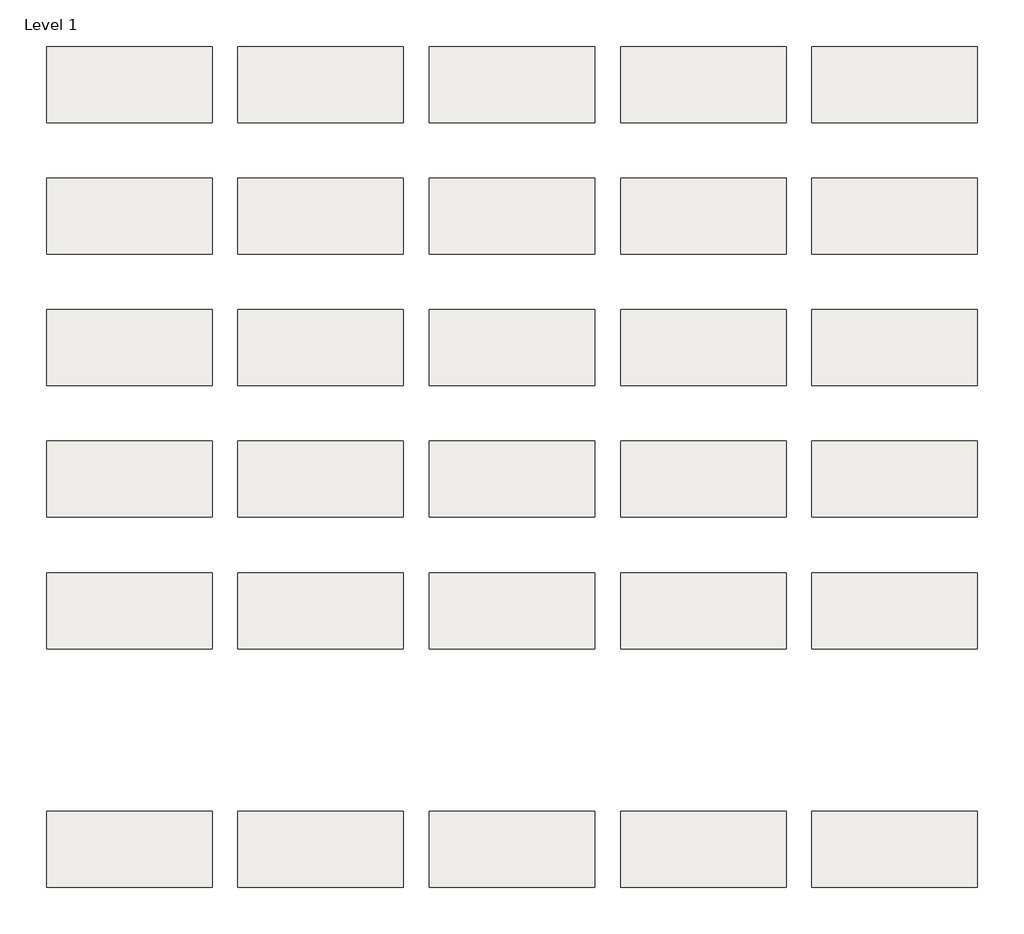
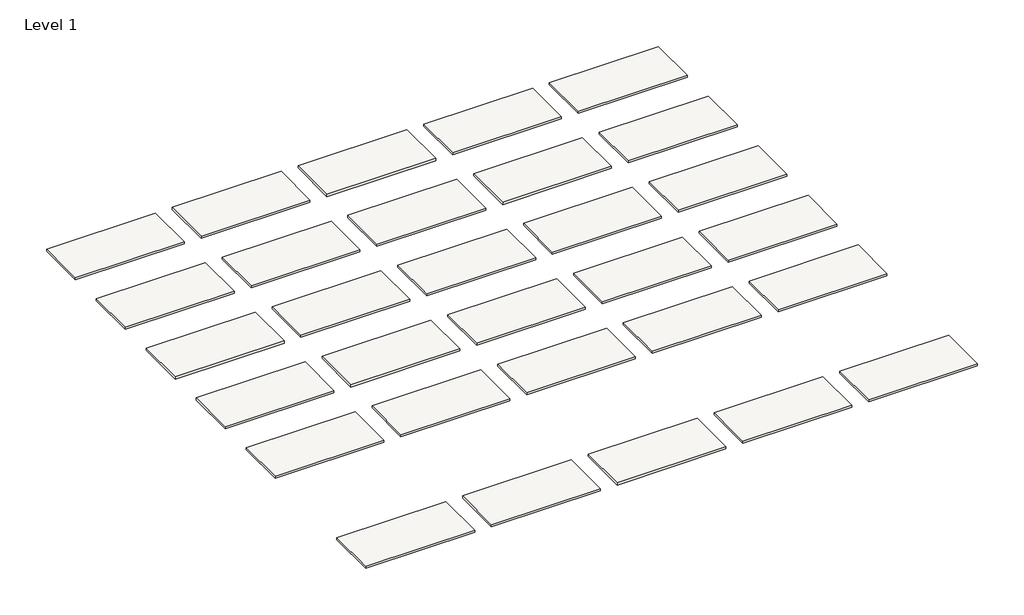
# One storey: 30 roofs.
"""IFC4 building model written with IfcOpenShell, lengths in millimetres."""

from ifc_helpers import new_model, si_unit, origin, origin_with_axes, place, context, project, spatial, polyline, outline, extrude, element, save

model = new_model("IFC4")

# Units and contexts
model_context = context("Model", 3, world=origin())
ifc_project = project(units=[si_unit("LENGTHUNIT", "METRE", prefix="MILLI")], contexts=[model_context])

# Site, building, storey
site = spatial("IfcSite", under=ifc_project)
building = spatial("IfcBuilding", under=site)
storey = spatial("IfcBuildingStorey", under=building, Name="Level 1", Elevation=0.0)

# Roofs
placement = place(None, origin())
element("IfcRoof", 1, at=placement, inside=storey, context=model_context, shape_type="SweptSolid", body=[
    extrude(outline(polyline([(-9725.8471173, -1370.5264682), (-6627.0471173, -1370.5264682), (-6627.0471173, -2792.9264682), (-9725.8471173, -2792.9264682), (-9725.8471173, -1370.5264682)])), origin_with_axes(), (0.0, 0.0, 1.0), 61.9125),
])
element("IfcRoof", 2, at=placement, inside=storey, context=model_context, shape_type="SweptSolid", body=[
    extrude(outline(polyline([(-6144.4471173, -1370.5264682), (-3045.6471173, -1370.5264682), (-3045.6471173, -2792.9264682), (-6144.4471173, -2792.9264682), (-6144.4471173, -1370.5264682)])), origin_with_axes(), (0.0, 0.0, 1.0), 61.9125),
])
element("IfcRoof", 3, at=placement, inside=storey, context=model_context, shape_type="SweptSolid", body=[
    extrude(outline(polyline([(-2563.0471173, -1370.5264682), (535.7528827, -1370.5264682), (535.7528827, -2792.9264682), (-2563.0471173, -2792.9264682), (-2563.0471173, -1370.5264682)])), origin_with_axes(), (0.0, 0.0, 1.0), 61.9125),
])
element("IfcRoof", 4, at=placement, inside=storey, context=model_context, shape_type="SweptSolid", body=[
    extrude(outline(polyline([(1018.3528827, -1370.5264682), (4117.1528827, -1370.5264682), (4117.1528827, -2792.9264682), (1018.3528827, -2792.9264682), (1018.3528827, -1370.5264682)])), origin_with_axes(), (0.0, 0.0, 1.0), 61.9125),
])
element("IfcRoof", 5, at=placement, inside=storey, context=model_context, shape_type="SweptSolid", body=[
    extrude(outline(polyline([(4599.7528827, -1370.5264682), (7698.5528827, -1370.5264682), (7698.5528827, -2792.9264682), (4599.7528827, -2792.9264682), (4599.7528827, -1370.5264682)])), origin_with_axes(), (0.0, 0.0, 1.0), 61.9125),
])
element("IfcRoof", 6, at=placement, inside=storey, context=model_context, shape_type="SweptSolid", body=[
    extrude(outline(polyline([(-9725.8471173, 1093.2735318), (-6627.0471173, 1093.2735318), (-6627.0471173, -329.1264682), (-9725.8471173, -329.1264682), (-9725.8471173, 1093.2735318)])), origin_with_axes(), (0.0, 0.0, 1.0), 61.9125),
])
element("IfcRoof", 7, at=placement, inside=storey, context=model_context, shape_type="SweptSolid", body=[
    extrude(outline(polyline([(-6144.4471173, 1093.2735318), (-3045.6471173, 1093.2735318), (-3045.6471173, -329.1264682), (-6144.4471173, -329.1264682), (-6144.4471173, 1093.2735318)])), origin_with_axes(), (0.0, 0.0, 1.0), 61.9125),
])
element("IfcRoof", 8, at=placement, inside=storey, context=model_context, shape_type="SweptSolid", body=[
    extrude(outline(polyline([(-2563.0471173, 1093.2735318), (535.7528827, 1093.2735318), (535.7528827, -329.1264682), (-2563.0471173, -329.1264682), (-2563.0471173, 1093.2735318)])), origin_with_axes(), (0.0, 0.0, 1.0), 61.9125),
])
element("IfcRoof", 9, at=placement, inside=storey, context=model_context, shape_type="SweptSolid", body=[
    extrude(outline(polyline([(1018.3528827, 1093.2735318), (4117.1528827, 1093.2735318), (4117.1528827, -329.1264682), (1018.3528827, -329.1264682), (1018.3528827, 1093.2735318)])), origin_with_axes(), (0.0, 0.0, 1.0), 61.9125),
])
element("IfcRoof", 10, at=placement, inside=storey, context=model_context, shape_type="SweptSolid", body=[
    extrude(outline(polyline([(4599.7528827, 1093.2735318), (7698.5528827, 1093.2735318), (7698.5528827, -329.1264682), (4599.7528827, -329.1264682), (4599.7528827, 1093.2735318)])), origin_with_axes(), (0.0, 0.0, 1.0), 61.9125),
])
element("IfcRoof", 11, at=placement, inside=storey, context=model_context, shape_type="SweptSolid", body=[
    extrude(outline(polyline([(-9725.8471173, 3557.0735318), (-6627.0471173, 3557.0735318), (-6627.0471173, 2134.6735318), (-9725.8471173, 2134.6735318), (-9725.8471173, 3557.0735318)])), origin_with_axes(), (0.0, 0.0, 1.0), 61.9125),
])
element("IfcRoof", 12, at=placement, inside=storey, context=model_context, shape_type="SweptSolid", body=[
    extrude(outline(polyline([(-6144.4471173, 3557.0735318), (-3045.6471173, 3557.0735318), (-3045.6471173, 2134.6735318), (-6144.4471173, 2134.6735318), (-6144.4471173, 3557.0735318)])), origin_with_axes(), (0.0, 0.0, 1.0), 61.9125),
])
element("IfcRoof", 13, at=placement, inside=storey, context=model_context, shape_type="SweptSolid", body=[
    extrude(outline(polyline([(-2563.0471173, 3557.0735318), (535.7528827, 3557.0735318), (535.7528827, 2134.6735318), (-2563.0471173, 2134.6735318), (-2563.0471173, 3557.0735318)])), origin_with_axes(), (0.0, 0.0, 1.0), 61.9125),
])
element("IfcRoof", 14, at=placement, inside=storey, context=model_context, shape_type="SweptSolid", body=[
    extrude(outline(polyline([(1018.3528827, 3557.0735318), (4117.1528827, 3557.0735318), (4117.1528827, 2134.6735318), (1018.3528827, 2134.6735318), (1018.3528827, 3557.0735318)])), origin_with_axes(), (0.0, 0.0, 1.0), 61.9125),
])
element("IfcRoof", 15, at=placement, inside=storey, context=model_context, shape_type="SweptSolid", body=[
    extrude(outline(polyline([(4599.7528827, 3557.0735318), (7698.5528827, 3557.0735318), (7698.5528827, 2134.6735318), (4599.7528827, 2134.6735318), (4599.7528827, 3557.0735318)])), origin_with_axes(), (0.0, 0.0, 1.0), 61.9125),
])
element("IfcRoof", 16, at=placement, inside=storey, context=model_context, shape_type="SweptSolid", body=[
    extrude(outline(polyline([(-9725.8471173, 6020.8735318), (-6627.0471173, 6020.8735318), (-6627.0471173, 4598.4735318), (-9725.8471173, 4598.4735318), (-9725.8471173, 6020.8735318)])), origin_with_axes(), (0.0, 0.0, 1.0), 61.9125),
])
element("IfcRoof", 17, at=placement, inside=storey, context=model_context, shape_type="SweptSolid", body=[
    extrude(outline(polyline([(-6144.4471173, 6020.8735318), (-3045.6471173, 6020.8735318), (-3045.6471173, 4598.4735318), (-6144.4471173, 4598.4735318), (-6144.4471173, 6020.8735318)])), origin_with_axes(), (0.0, 0.0, 1.0), 61.9125),
])
element("IfcRoof", 18, at=placement, inside=storey, context=model_context, shape_type="SweptSolid", body=[
    extrude(outline(polyline([(-2563.0471173, 6020.8735318), (535.7528827, 6020.8735318), (535.7528827, 4598.4735318), (-2563.0471173, 4598.4735318), (-2563.0471173, 6020.8735318)])), origin_with_axes(), (0.0, 0.0, 1.0), 61.9125),
])
element("IfcRoof", 19, at=placement, inside=storey, context=model_context, shape_type="SweptSolid", body=[
    extrude(outline(polyline([(1018.3528827, 6020.8735318), (4117.1528827, 6020.8735318), (4117.1528827, 4598.4735318), (1018.3528827, 4598.4735318), (1018.3528827, 6020.8735318)])), origin_with_axes(), (0.0, 0.0, 1.0), 61.9125),
])
element("IfcRoof", 20, at=placement, inside=storey, context=model_context, shape_type="SweptSolid", body=[
    extrude(outline(polyline([(4599.7528827, 6020.8735318), (7698.5528827, 6020.8735318), (7698.5528827, 4598.4735318), (4599.7528827, 4598.4735318), (4599.7528827, 6020.8735318)])), origin_with_axes(), (0.0, 0.0, 1.0), 61.9125),
])
element("IfcRoof", 21, at=placement, inside=storey, context=model_context, shape_type="SweptSolid", body=[
    extrude(outline(polyline([(-9725.8471173, 8484.6735318), (-6627.0471173, 8484.6735318), (-6627.0471173, 7062.2735318), (-9725.8471173, 7062.2735318), (-9725.8471173, 8484.6735318)])), origin_with_axes(), (0.0, 0.0, 1.0), 61.9125),
])
element("IfcRoof", 22, at=placement, inside=storey, context=model_context, shape_type="SweptSolid", body=[
    extrude(outline(polyline([(-6144.4471173, 8484.6735318), (-3045.6471173, 8484.6735318), (-3045.6471173, 7062.2735318), (-6144.4471173, 7062.2735318), (-6144.4471173, 8484.6735318)])), origin_with_axes(), (0.0, 0.0, 1.0), 61.9125),
])
element("IfcRoof", 23, at=placement, inside=storey, context=model_context, shape_type="SweptSolid", body=[
    extrude(outline(polyline([(-2563.0471173, 8484.6735318), (535.7528827, 8484.6735318), (535.7528827, 7062.2735318), (-2563.0471173, 7062.2735318), (-2563.0471173, 8484.6735318)])), origin_with_axes(), (0.0, 0.0, 1.0), 61.9125),
])
element("IfcRoof", 24, at=placement, inside=storey, context=model_context, shape_type="SweptSolid", body=[
    extrude(outline(polyline([(1018.3528827, 8484.6735318), (4117.1528827, 8484.6735318), (4117.1528827, 7062.2735318), (1018.3528827, 7062.2735318), (1018.3528827, 8484.6735318)])), origin_with_axes(), (0.0, 0.0, 1.0), 61.9125),
])
element("IfcRoof", 25, at=placement, inside=storey, context=model_context, shape_type="SweptSolid", body=[
    extrude(outline(polyline([(4599.7528827, 8484.6735318), (7698.5528827, 8484.6735318), (7698.5528827, 7062.2735318), (4599.7528827, 7062.2735318), (4599.7528827, 8484.6735318)])), origin_with_axes(), (0.0, 0.0, 1.0), 61.9125),
])
element("IfcRoof", 26, at=placement, inside=storey, context=model_context, shape_type="SweptSolid", body=[
    extrude(outline(polyline([(-9725.8471173, -5840.9264682), (-6627.0471173, -5840.9264682), (-6627.0471173, -7263.3264682), (-9725.8471173, -7263.3264682), (-9725.8471173, -5840.9264682)])), origin_with_axes(), (0.0, 0.0, 1.0), 61.9125),
])
element("IfcRoof", 27, at=placement, inside=storey, context=model_context, shape_type="SweptSolid", body=[
    extrude(outline(polyline([(-6144.4471173, -5840.9264682), (-3045.6471173, -5840.9264682), (-3045.6471173, -7263.3264682), (-6144.4471173, -7263.3264682), (-6144.4471173, -5840.9264682)])), origin_with_axes(), (0.0, 0.0, 1.0), 61.9125),
])
element("IfcRoof", 28, at=placement, inside=storey, context=model_context, shape_type="SweptSolid", body=[
    extrude(outline(polyline([(-2563.0471173, -5840.9264682), (535.7528827, -5840.9264682), (535.7528827, -7263.3264682), (-2563.0471173, -7263.3264682), (-2563.0471173, -5840.9264682)])), origin_with_axes(), (0.0, 0.0, 1.0), 61.9125),
])
element("IfcRoof", 29, at=placement, inside=storey, context=model_context, shape_type="SweptSolid", body=[
    extrude(outline(polyline([(1018.3528827, -5840.9264682), (4117.1528827, -5840.9264682), (4117.1528827, -7263.3264682), (1018.3528827, -7263.3264682), (1018.3528827, -5840.9264682)])), origin_with_axes(), (0.0, 0.0, 1.0), 61.9125),
])
element("IfcRoof", 30, at=placement, inside=storey, context=model_context, shape_type="SweptSolid", body=[
    extrude(outline(polyline([(4599.7528827, -5840.9264682), (7698.5528827, -5840.9264682), (7698.5528827, -7263.3264682), (4599.7528827, -7263.3264682), (4599.7528827, -5840.9264682)])), origin_with_axes(), (0.0, 0.0, 1.0), 61.9125),
])

save(model, "model.ifc")
